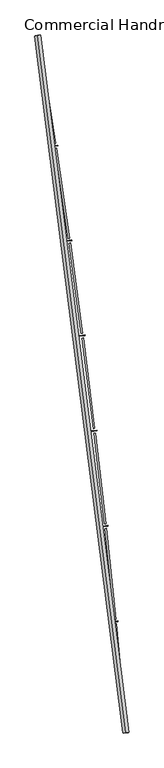
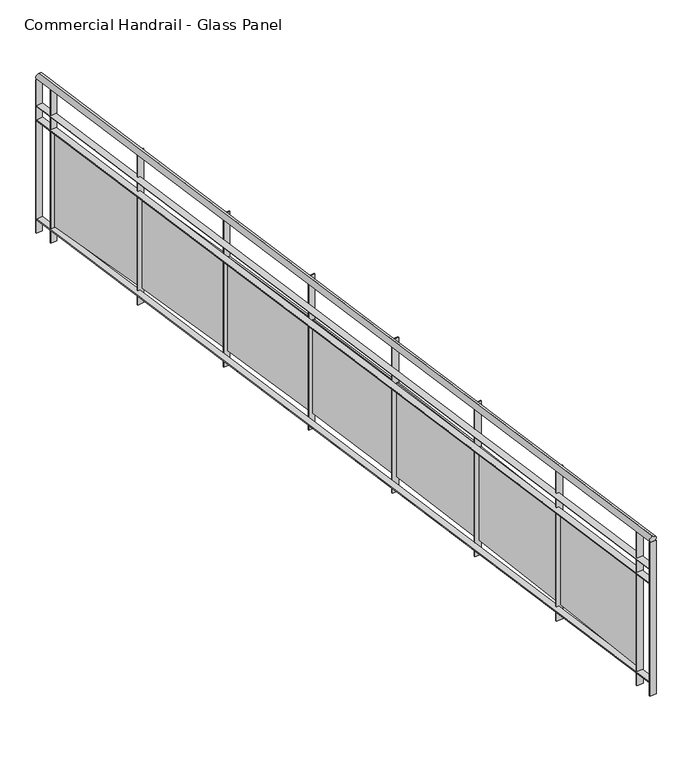
"""IFC4 building model written with IfcOpenShell, lengths in millimetres: railing geometry, Commercial Handrail - Glass Panel."""

from ifc_helpers import new_model, si_unit, point, frame, origin, place, context, project, spatial, polyline, circle_curve, ellipse_curve, trimmed, outline, extrude, source, transform, mapped, element, save
from ifc_brep_helpers import plane_surface, cylinder_surface, revolved_surface, advanced_brep


def commercial_handrail_glass_panel_3fdc9e41(model_context):
    return source(origin(), model_context, "Body", "SolidModel", [
        advanced_brep(
        [(182571.9295754, -52879.5364282, 9482.5), (181834.8110467, -47067.1917957, 9482.5), (181834.8110467, -47067.1917957, 9517.5), (182571.9295754, -52879.5364282, 9517.5)],
        [
            (0, 1, circle_curve(frame((104368.4569212, -59844.3474174, 9482.5), z_axis=(0.0, 0.0, 1.0), x_axis=(0.9866690945138685, 0.16273935581531185, 0.0)), 78513.0035554)),
            (1, 2, ellipse_curve(frame((181834.8110467, -47067.1917957, 9500.0), z_axis=(0.16273935581530558, -0.9866690945138697, 0.0), x_axis=(-0.9866690945138695, -0.16273935581530555, 0.0)), 25.0, 17.5)),
            (2, 3, circle_curve(frame((104368.4569212, -59844.3474174, 9517.5), z_axis=(0.0, 0.0, -1.0), x_axis=(0.9866690945138685, 0.16273935581531185, 0.0)), 78513.0035554)),
            (3, 0, ellipse_curve(frame((182571.9295754, -52879.5364282, 9500.0), z_axis=(-0.08870901218759285, 0.9960575842574071, 0.0), x_axis=(-0.9960575842574071, -0.08870901218759285, 0.0)), 25.0, 17.5)),
            (2, 1, ellipse_curve(frame((181834.8110467, -47067.1917957, 9500.0), z_axis=(0.16273935581530558, -0.9866690945138697, 0.0), x_axis=(-0.9866690945138695, -0.16273935581530555, 0.0)), 25.0, 17.5)),
            (0, 3, ellipse_curve(frame((182571.9295754, -52879.5364282, 9500.0), z_axis=(-0.08870901218759285, 0.9960575842574071, 0.0), x_axis=(-0.9960575842574071, -0.08870901218759285, 0.0)), 25.0, 17.5)),
        ],
        [
            revolved_surface(trimmed(ellipse_curve(frame((181834.8110467, -47067.1917957, 9500.0), z_axis=(-0.16273935581531185, 0.9866690945138685, 0.0), x_axis=(0.0, 0.0, -1.0)), 17.5, 25.0), [point((181834.8110467, -47067.1917957, 9517.5))], [point((181834.8110467, -47067.1917957, 9482.5))], True, "CARTESIAN"), (104368.4569212, -59844.3474174, 9500.0), (0.0, 0.0, -1.0)),
            revolved_surface(trimmed(ellipse_curve(frame((181834.8110467, -47067.1917957, 9500.0), z_axis=(-0.16273935581531185, 0.9866690945138685, 0.0), x_axis=(0.0, 0.0, -1.0)), 17.5, 25.0), [point((181834.8110467, -47067.1917957, 9482.5))], [point((181834.8110467, -47067.1917957, 9517.5))], True, "CARTESIAN"), (104368.4569212, -59844.3474174, 9500.0), (0.0, 0.0, -1.0)),
            plane_surface(frame((181834.8110467, -47067.1917957, 9500.0), z_axis=(-0.16273935581531188, 0.9866690945138686, 0.0), x_axis=(0.9866690945138686, 0.16273935581531188, 0.0))),
            plane_surface(frame((182571.9295754, -52879.5364282, 9500.0), z_axis=(0.08870901218759289, -0.9960575842574071, 0.0), x_axis=(0.9960575842574071, 0.08870901218759289, 0.0))),
        ],
        [
            (0, [[1, 2, 3, 4]]),
            (1, [[-3, 5, -1, 6]]),
            (2, [[-2, -5]]),
            (3, [[-6, -4]]),
        ],
    ),
        advanced_brep(
        [(182594.340871, -52877.5404754, 9300.0), (181857.0111014, -47063.5301602, 9300.0), (181812.6109921, -47070.8534312, 9300.0), (182549.5182797, -52881.5323809, 9300.0), (182594.340871, -52877.5404754, 9294.0), (181857.0111014, -47063.5301602, 9294.0), (182549.5182797, -52881.5323809, 9294.0), (181812.6109921, -47070.8534312, 9294.0)],
        [
            (0, 1, circle_curve(frame((104368.4569212, -59844.3474174, 9300.0), z_axis=(0.0, 0.0, 1.0), x_axis=(0.9866690945138685, 0.16273935581531185, 0.0)), 78535.5035554)),
            (1, 2),
            (2, 3, circle_curve(frame((104368.4569212, -59844.3474174, 9300.0), z_axis=(0.0, 0.0, -1.0), x_axis=(0.9866690945138685, 0.16273935581531185, 0.0)), 78490.5035554)),
            (3, 0),
            (4, 5, circle_curve(frame((104368.4569212, -59844.3474174, 9294.0), z_axis=(0.0, 0.0, 1.0), x_axis=(0.9866690945138685, 0.16273935581531185, 0.0)), 78535.5035554)),
            (5, 1),
            (0, 4),
            (6, 7, circle_curve(frame((104368.4569212, -59844.3474174, 9294.0), z_axis=(0.0, 0.0, 1.0), x_axis=(0.9866690945138685, 0.16273935581531185, 0.0)), 78490.5035554)),
            (7, 5),
            (4, 6),
            (2, 7),
            (6, 3),
        ],
        [
            plane_surface(frame((104368.4569212, -59844.3474174, 9300.0), z_axis=(0.0, 0.0, 1.0000000000000002), x_axis=(0.9866690945138686, 0.16273935581531188, 0.0))),
            cylinder_surface(frame((104368.4569212, -59844.3474174, 9300.0), z_axis=(0.0, 0.0, -1.0), x_axis=(0.9866690945138685, 0.16273935581531185, 0.0)), 78535.5035554),
            plane_surface(frame((104368.4569212, -59844.3474174, 9294.0), z_axis=(0.0, 0.0, -1.0000000000000002), x_axis=(0.9866690945138686, 0.16273935581531188, 0.0))),
            revolved_surface(polyline([(181812.6109921441, -47070.85343117476, 9294.0), (181812.6109921441, -47070.85343117476, 9300.0)]), (104368.4569212, -59844.3474174, 9300.0), (0.0, 0.0, -1.0)),
            plane_surface(frame((181834.8110467, -47067.1917957, 9300.0), z_axis=(-0.16273935581531188, 0.9866690945138686, 0.0), x_axis=(0.9866690945138686, 0.16273935581531188, 0.0))),
            plane_surface(frame((182571.9295754, -52879.5364282, 9300.0), z_axis=(0.08870901218759289, -0.9960575842574071, 0.0), x_axis=(0.9960575842574071, 0.08870901218759289, 0.0))),
        ],
        [
            (0, [[1, 2, 3, 4]]),
            (1, [[5, 6, -1, 7]]),
            (2, [[8, 9, -5, 10]]),
            (3, [[-3, 11, -8, 12]]),
            (4, [[-2, -6, -9, -11]]),
            (5, [[-12, -10, -7, -4]]),
        ],
    ),
        advanced_brep(
        [(182594.340871, -52877.5404754, 9200.0), (181857.0111014, -47063.5301602, 9200.0), (181812.6109921, -47070.8534312, 9200.0), (182549.5182797, -52881.5323809, 9200.0), (182594.340871, -52877.5404754, 9194.0), (181857.0111014, -47063.5301602, 9194.0), (182549.5182797, -52881.5323809, 9194.0), (181812.6109921, -47070.8534312, 9194.0)],
        [
            (0, 1, circle_curve(frame((104368.4569212, -59844.3474174, 9200.0), z_axis=(0.0, 0.0, 1.0), x_axis=(0.9866690945138685, 0.16273935581531185, 0.0)), 78535.5035554)),
            (1, 2),
            (2, 3, circle_curve(frame((104368.4569212, -59844.3474174, 9200.0), z_axis=(0.0, 0.0, -1.0), x_axis=(0.9866690945138685, 0.16273935581531185, 0.0)), 78490.5035554)),
            (3, 0),
            (4, 5, circle_curve(frame((104368.4569212, -59844.3474174, 9194.0), z_axis=(0.0, 0.0, 1.0), x_axis=(0.9866690945138685, 0.16273935581531185, 0.0)), 78535.5035554)),
            (5, 1),
            (0, 4),
            (6, 7, circle_curve(frame((104368.4569212, -59844.3474174, 9194.0), z_axis=(0.0, 0.0, 1.0), x_axis=(0.9866690945138685, 0.16273935581531185, 0.0)), 78490.5035554)),
            (7, 5),
            (4, 6),
            (2, 7),
            (6, 3),
        ],
        [
            plane_surface(frame((104368.4569212, -59844.3474174, 9200.0), z_axis=(0.0, 0.0, 1.0000000000000002), x_axis=(0.9866690945138686, 0.16273935581531188, 0.0))),
            cylinder_surface(frame((104368.4569212, -59844.3474174, 9200.0), z_axis=(0.0, 0.0, -1.0), x_axis=(0.9866690945138685, 0.16273935581531185, 0.0)), 78535.5035554),
            plane_surface(frame((104368.4569212, -59844.3474174, 9194.0), z_axis=(0.0, 0.0, -1.0000000000000002), x_axis=(0.9866690945138686, 0.16273935581531188, 0.0))),
            revolved_surface(polyline([(181812.6109921441, -47070.85343117476, 9194.0), (181812.6109921441, -47070.85343117476, 9200.0)]), (104368.4569212, -59844.3474174, 9200.0), (0.0, 0.0, -1.0)),
            plane_surface(frame((181834.8110467, -47067.1917957, 9200.0), z_axis=(-0.16273935581531188, 0.9866690945138686, 0.0), x_axis=(0.9866690945138686, 0.16273935581531188, 0.0))),
            plane_surface(frame((182571.9295754, -52879.5364282, 9200.0), z_axis=(0.08870901218759289, -0.9960575842574071, 0.0), x_axis=(0.9960575842574071, 0.08870901218759289, 0.0))),
        ],
        [
            (0, [[1, 2, 3, 4]]),
            (1, [[5, 6, -1, 7]]),
            (2, [[8, 9, -5, 10]]),
            (3, [[-3, 11, -8, 12]]),
            (4, [[-2, -6, -9, -11]]),
            (5, [[-12, -10, -7, -4]]),
        ],
    ),
        advanced_brep(
        [(182594.340871, -52877.5404754, 8500.0), (181857.0111014, -47063.5301602, 8500.0), (181812.6109921, -47070.8534312, 8500.0), (182549.5182797, -52881.5323809, 8500.0), (182594.340871, -52877.5404754, 8494.0), (181857.0111014, -47063.5301602, 8494.0), (182549.5182797, -52881.5323809, 8494.0), (181812.6109921, -47070.8534312, 8494.0)],
        [
            (0, 1, circle_curve(frame((104368.4569212, -59844.3474174, 8500.0), z_axis=(0.0, 0.0, 1.0), x_axis=(0.9866690945138685, 0.16273935581531185, 0.0)), 78535.5035554)),
            (1, 2),
            (2, 3, circle_curve(frame((104368.4569212, -59844.3474174, 8500.0), z_axis=(0.0, 0.0, -1.0), x_axis=(0.9866690945138685, 0.16273935581531185, 0.0)), 78490.5035554)),
            (3, 0),
            (4, 5, circle_curve(frame((104368.4569212, -59844.3474174, 8494.0), z_axis=(0.0, 0.0, 1.0), x_axis=(0.9866690945138685, 0.16273935581531185, 0.0)), 78535.5035554)),
            (5, 1),
            (0, 4),
            (6, 7, circle_curve(frame((104368.4569212, -59844.3474174, 8494.0), z_axis=(0.0, 0.0, 1.0), x_axis=(0.9866690945138685, 0.16273935581531185, 0.0)), 78490.5035554)),
            (7, 5),
            (4, 6),
            (2, 7),
            (6, 3),
        ],
        [
            plane_surface(frame((104368.4569212, -59844.3474174, 8500.0), z_axis=(0.0, 0.0, 1.0000000000000002), x_axis=(0.9866690945138686, 0.16273935581531188, 0.0))),
            cylinder_surface(frame((104368.4569212, -59844.3474174, 8500.0), z_axis=(0.0, 0.0, -1.0), x_axis=(0.9866690945138685, 0.16273935581531185, 0.0)), 78535.5035554),
            plane_surface(frame((104368.4569212, -59844.3474174, 8494.0), z_axis=(0.0, 0.0, -1.0000000000000002), x_axis=(0.9866690945138686, 0.16273935581531188, 0.0))),
            revolved_surface(polyline([(181812.6109921441, -47070.85343117476, 8494.0), (181812.6109921441, -47070.85343117476, 8500.0)]), (104368.4569212, -59844.3474174, 8500.0), (0.0, 0.0, -1.0)),
            plane_surface(frame((181834.8110467, -47067.1917957, 8500.0), z_axis=(-0.16273935581531188, 0.9866690945138686, 0.0), x_axis=(0.9866690945138686, 0.16273935581531188, 0.0))),
            plane_surface(frame((182571.9295754, -52879.5364282, 8500.0), z_axis=(0.08870901218759289, -0.9960575842574071, 0.0), x_axis=(0.9960575842574071, 0.08870901218759289, 0.0))),
        ],
        [
            (0, [[1, 2, 3, 4]]),
            (1, [[5, 6, -1, 7]]),
            (2, [[8, 9, -5, 10]]),
            (3, [[-3, 11, -8, 12]]),
            (4, [[-2, -6, -9, -11]]),
            (5, [[-12, -10, -7, -4]]),
        ],
    ),
        extrude(outline(polyline([(182537.5994721, -52748.9749653), (182582.4153855, -52744.9087751), (182582.9575442, -52750.8842302), (182538.1416308, -52754.9504204), (182537.5994721, -52748.9749653)])), frame((0.0, 0.0, 8400.0), z_axis=(0.0, 0.0, 1.0), x_axis=(1.0, 0.0, 0.0)), (0.0, 0.0, 1.0), 1082.1192282),
        extrude(outline(polyline([(182492.8282703, -51972.8214769), (182565.3569267, -52729.3527677), (182553.4116957, -52730.497957), (182480.8830394, -51973.9666662), (182492.8282703, -51972.8214769)])), frame((0.0, 0.0, 8520.0), z_axis=(0.0, 0.0, 1.0), x_axis=(1.0, 0.0, 0.0)), (0.0, 0.0, 1.0), 660.0),
        extrude(outline(polyline([(182461.2452987, -51952.8608143), (182506.0174543, -51948.3381961), (182506.6204701, -51954.3078168), (182461.8483144, -51958.830435), (182461.2452987, -51952.8608143)])), frame((0.0, 0.0, 8400.0), z_axis=(0.0, 0.0, 1.0), x_axis=(1.0, 0.0, 0.0)), (0.0, 0.0, 1.0), 1082.1192282),
        extrude(outline(polyline([(182408.5680235, -51177.2038007), (182488.8013774, -51932.9568086), (182476.8684352, -51934.223651), (182396.6350812, -51178.4706431), (182408.5680235, -51177.2038007)])), frame((0.0, 0.0, 8520.0), z_axis=(0.0, 0.0, 1.0), x_axis=(1.0, 0.0, 0.0)), (0.0, 0.0, 1.0), 660.0),
        extrude(outline(polyline([(182376.7833078, -51157.5659801), (182421.5070573, -51152.5874034), (182422.1708676, -51158.55057), (182377.447118, -51163.5291467), (182376.7833078, -51157.5659801)])), frame((0.0, 0.0, 8400.0), z_axis=(0.0, 0.0, 1.0), x_axis=(1.0, 0.0, 0.0)), (0.0, 0.0, 1.0), 1082.1192282),
        extrude(outline(polyline([(182316.2054283, -50382.4859723), (182404.1351498, -51137.3822327), (182392.2157352, -51138.7705968), (182304.2860136, -50383.8743363), (182316.2054283, -50382.4859723)])), frame((0.0, 0.0, 8520.0), z_axis=(0.0, 0.0, 1.0), x_axis=(1.0, 0.0, 0.0)), (0.0, 0.0, 1.0), 660.0),
        extrude(outline(polyline([(182284.2222685, -50363.1730325), (182328.8929686, -50357.7390141), (182329.6175044, -50363.6951075), (182284.9468043, -50369.1291258), (182284.2222685, -50363.1730325)])), frame((0.0, 0.0, 8400.0), z_axis=(0.0, 0.0, 1.0), x_axis=(1.0, 0.0, 0.0)), (0.0, 0.0, 1.0), 1082.1192282),
        extrude(outline(polyline([(182215.750074, -49588.7505014), (182311.3670341, -50342.711639), (182299.4623845, -50344.2213805), (182203.8454245, -49590.2602429), (182215.750074, -49588.7505014)])), frame((0.0, 0.0, 8520.0), z_axis=(0.0, 0.0, 1.0), x_axis=(1.0, 0.0, 0.0)), (0.0, 0.0, 1.0), 660.0),
        extrude(outline(polyline([(182183.5717908, -49569.7644476), (182228.1848036, -49563.8755518), (182228.9699897, -49569.8239535), (182184.3569769, -49575.7128493), (182183.5717908, -49569.7644476)])), frame((0.0, 0.0, 8400.0), z_axis=(0.0, 0.0, 1.0), x_axis=(1.0, 0.0, 0.0)), (0.0, 0.0, 1.0), 1082.1192282),
        extrude(outline(polyline([(182107.2123904, -48796.0797961), (182210.5066616, -49549.0275324), (182198.6180132, -49550.6584945), (182095.3237419, -48797.7107583), (182107.2123904, -48796.0797961)])), frame((0.0, 0.0, 8520.0), z_axis=(0.0, 0.0, 1.0), x_axis=(1.0, 0.0, 0.0)), (0.0, 0.0, 1.0), 660.0),
        extrude(outline(polyline([(182074.8423245, -48777.4225994), (182119.3930181, -48771.0794376), (182120.238773, -48777.0195301), (182075.6880794, -48783.3626919), (182074.8423245, -48777.4225994)])), frame((0.0, 0.0, 8400.0), z_axis=(0.0, 0.0, 1.0), x_axis=(1.0, 0.0, 0.0)), (0.0, 0.0, 1.0), 1082.1192282),
        extrude(outline(polyline([(181990.6036459, -48004.5561536), (182101.5645041, -48756.4123154), (182089.6930911, -48758.1643289), (181978.7322329, -48006.3081672), (181990.6036459, -48004.5561536)])), frame((0.0, 0.0, 8520.0), z_axis=(0.0, 0.0, 1.0), x_axis=(1.0, 0.0, 0.0)), (0.0, 0.0, 1.0), 660.0),
        extrude(outline(polyline([(181958.0451582, -47986.2297512), (182002.5289072, -47979.4329819), (182003.4351431, -47985.3641484), (181958.9513941, -47992.1609177), (181958.0451582, -47986.2297512)])), frame((0.0, 0.0, 8400.0), z_axis=(0.0, 0.0, 1.0), x_axis=(1.0, 0.0, 0.0)), (0.0, 0.0, 1.0), 1082.1192282),
        extrude(outline(polyline([(181865.9359474, -47214.2617523), (181984.5518723, -47964.9482797), (181972.6989271, -47966.8211627), (181854.0830022, -47216.1346353), (181865.9359474, -47214.2617523)])), frame((0.0, 0.0, 8520.0), z_axis=(0.0, 0.0, 1.0), x_axis=(1.0, 0.0, 0.0)), (0.0, 0.0, 1.0), 660.0),
        extrude(outline(polyline([(181833.1924181, -47196.2680467), (181877.6046042, -47189.0183756), (181878.571227, -47194.9400004), (181834.1590409, -47202.1896715), (181833.1924181, -47196.2680467)])), frame((0.0, 0.0, 8400.0), z_axis=(0.0, 0.0, 1.0), x_axis=(1.0, 0.0, 0.0)), (0.0, 0.0, 1.0), 1082.1192282),
        extrude(outline(polyline([(182549.2521527, -52878.5442082), (182594.074744, -52874.5523026), (182594.606998, -52880.5286481), (182549.7844067, -52884.5205537), (182549.2521527, -52878.5442082)])), frame((0.0, 0.0, 8400.0), z_axis=(0.0, 0.0, 1.0), x_axis=(1.0, 0.0, 0.0)), (0.0, 0.0, 1.0), 1082.1192282),
        extrude(outline(polyline([(181812.122774, -47067.8934239), (181856.5228833, -47060.5701529), (181857.4993194, -47066.4901675), (181813.0992102, -47073.8134385), (181812.122774, -47067.8934239)])), frame((0.0, 0.0, 8400.0), z_axis=(0.0, 0.0, 1.0), x_axis=(1.0, 0.0, 0.0)), (0.0, 0.0, 1.0), 1082.1192282),
    ])


if __name__ == "__main__":
    model = new_model("IFC4")
    model_context = context("Model", 3, world=origin())
    ifc_project = project(units=[si_unit("LENGTHUNIT", "METRE", prefix="MILLI")], contexts=[model_context])
    site = spatial("IfcSite", under=ifc_project)
    building = spatial("IfcBuilding", under=site)
    placement = place(None, origin())
    commercial_handrail_glass_panel_shape = commercial_handrail_glass_panel_3fdc9e41(model_context)
    element("IfcRailing", 1, ObjectType="Commercial Handrail - Glass Panel", at=placement, inside=building, context=model_context, shape_type="MappedRepresentation", body=[
        mapped(commercial_handrail_glass_panel_shape, transform((0.0, 0.0, 0.0), x_axis=(1.0, 0.0, 0.0), y_axis=(0.0, 1.0, 0.0), z_axis=(0.0, 0.0, 1.0))),
    ])
    save(model, "model.ifc")
